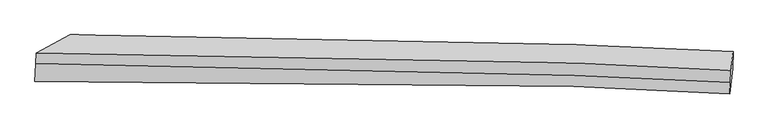
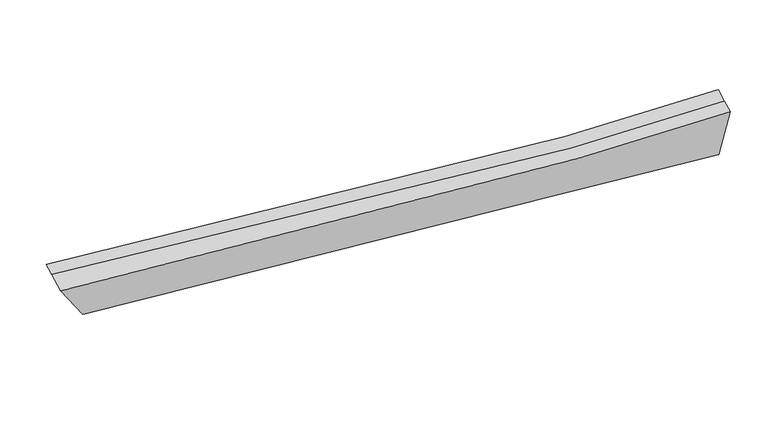
"""IFC4 building model written with IfcOpenShell, lengths in millimetres: proxy geometry."""

from ifc_helpers import new_model, si_unit, frame, origin, place, context, project, spatial, source, transform, mapped, element, save
from ifc_brep_helpers import plane_surface, spline_curve, spline_surface, advanced_brep


def generic_models_c9b60fcc(model_context):
    return source(origin(), model_context, "Body", "AdvancedBrep", [
        advanced_brep(
        [(-5488.6137369, -2005.2500482, 3786.4457836), (-5500.3548351, -2265.0979408, 3682.8059297), (4398.3501511, -2442.1805387, 3163.4923994), (4405.6883375, -2279.7756058, 3228.2673081), (-5026.2215694, -2010.5817388, 2990.9645071), (4439.2238863, -2076.6880382, 2242.4918872), (-4995.0506932, -1595.4208901, 3135.2656372), (4443.5440485, -1836.1872723, 2625.121328), (-5481.9045379, -1856.7655381, 3845.6685573), (4413.6555113, -2103.4502501, 3298.5943519)],
        [
            (0, 1),
            (1, 2, spline_curve(3, [(-5500.3548351, -2265.0979408, 3682.8059297), (-2876.042470426, -2216.185221967, 3331.72652944), (-318.410562917, -2239.803210362, 3148.266152992), (2920.489202521, -2364.82209993, 3127.668179403), (3662.425622955, -2400.231644486, 3138.024045543), (4398.3501511, -2442.1805387, 3163.4923994)], [4, 2, 4], [0.0, 25.046825384043842, 32.56753831649566])),
            (2, 3),
            (3, 0, spline_curve(3, [(4405.6883375, -2279.7756058, 3228.2673081), (3669.662044332, -2240.07892545, 3201.900662993), (2927.725623647, -2204.669380993, 3191.544796852), (-310.733459573, -2069.897551518, 3216.032712124), (-2866.89773032, -2013.798577293, 3412.448070572), (-5488.6137369, -2005.2500482, 3786.4457836)], [4, 2, 4], [0.0, 7.520712932451815, 32.56753831649566])),
            (1, 4),
            (4, 5, spline_curve(3, [(-5026.2215694, -2010.5817388, 2990.9645071), (-2741.92631188, -2011.15258917, 2802.470972553), (-348.233973202, -2024.317795395, 2611.375474709), (2906.448381223, -2057.812079948, 2359.517231432), (3667.904527579, -2066.682307188, 2301.121855378), (4439.2238863, -2076.6880382, 2242.4918872)], [4, 2, 4], [0.0, 24.49311295834564, 31.8475648123192])),
            (5, 2),
            (4, 6),
            (6, 7, spline_curve(3, [(-4995.0506932, -1595.4208901, 3135.2656372), (-2708.411625166, -1594.710371134, 2823.807885666), (-319.471869447, -1642.015295715, 2651.304989761), (2919.803662795, -1765.957139684, 2607.68360773), (3677.062153865, -1798.907676116, 2610.138401105), (4443.5440485, -1836.1872723, 2625.121328)], [4, 2, 4], [0.0, 23.91173812747143, 31.091622820053626])),
            (7, 5),
            (6, 8),
            (8, 9, spline_curve(3, [(-5481.9045379, -1856.7655381, 3845.6685573), (-2859.446715068, -1848.896567762, 3478.2189333), (-302.863118952, -1895.715260291, 3285.504998316), (2935.72187317, -2027.700535651, 3262.128495268), (3677.658293864, -2063.110080023, 3272.484361435), (4413.6555113, -2103.4502501, 3298.5943519)], [4, 2, 4], [0.0, 24.46435484926418, 31.810171617570568])),
            (9, 7),
            (8, 0),
            (3, 9),
        ],
        [
            spline_surface(3, 3, [[(-5488.6137369, -2005.2500482, 3786.4457836), (-2866.897730386, -2013.798576984, 3412.448070385), (-310.733459526, -2069.897551674, 3216.032712339), (2927.725623633, -2204.669380946, 3191.544796788), (3669.662044277, -2240.078925441, 3201.900663001), (4405.6883375, -2279.7756058, 3228.2673081)], [(-5492.527436312, -2091.866012402, 3751.899165626), (-2869.945977137, -2081.260792077, 3385.540890006), (-313.292493852, -2126.532771242, 3193.443859206), (2925.313483222, -2258.053620639, 3170.252590998), (3667.249903866, -2293.463165134, 3180.60845721), (4403.242275368, -2333.910583426, 3206.675671866)], [(-5496.441135688, -2178.481976598, 3717.352547674), (-2872.994223854, -2148.723007166, 3358.633709648), (-315.85152818, -2183.167990733, 3170.855006074), (2922.901342808, -2311.437860254, 3148.960385208), (3664.837763452, -2346.847404849, 3159.316251421), (4400.796213232, -2388.045561074, 3185.084035634)], [(-5500.3548351, -2265.0979408, 3682.8059297), (-2876.042470606, -2216.18522226, 3331.726529269), (-318.410562505, -2239.803210302, 3148.266152941), (2920.489202398, -2364.822099948, 3127.668179418), (3662.425623042, -2400.231644542, 3138.024045631), (4398.3501511, -2442.1805387, 3163.4923994)]], [4, 4], [4, 2, 4], [0.0, 0.6344094963938228], [0.0, 25.046825384043842, 32.56753831649566]),
            spline_surface(3, 3, [[(-5500.3548351, -2265.0979408, 3682.8059297), (-2876.042470606, -2216.18522226, 3331.726529269), (-318.410562505, -2239.803210302, 3148.266152941), (2920.489202398, -2364.822099948, 3127.668179418), (3662.425623042, -2400.231644542, 3138.024045631), (4398.3501511, -2442.1805387, 3163.4923994)], [(-5342.310413198, -2180.259206801, 3452.192122177), (-2831.33708449, -2147.841011244, 3155.308010307), (-328.351699457, -2167.974738565, 2969.302593631), (2915.808928688, -2262.485426609, 2871.617863391), (3664.251924573, -2289.048532095, 2859.056648878), (4411.974729521, -2320.349705211, 2856.492228655)], [(-5184.265991302, -2095.420472799, 3221.578314623), (-2786.631698382, -2079.496800226, 2978.889491314), (-338.292836408, -2096.14626691, 2790.339034326), (2911.12865498, -2160.148753353, 2615.567547368), (3666.07822604, -2177.865419613, 2580.089252159), (4425.599307879, -2198.518871689, 2549.492057945)], [(-5026.2215694, -2010.5817388, 2990.9645071), (-2741.926312266, -2011.15258921, 2802.470972353), (-348.23397336, -2024.317795174, 2611.375475016), (2906.448381271, -2057.812080014, 2359.51723134), (3667.904527571, -2066.682307165, 2301.121855406), (4439.2238863, -2076.6880382, 2242.4918872)]], [4, 4], [4, 2, 4], [0.0, 2.087170204404688], [0.0, 24.49311295834564, 31.8475648123192]),
            spline_surface(3, 3, [[(-5026.2215694, -2010.5817388, 2990.9645071), (-2741.926312266, -2011.15258921, 2802.470972353), (-348.23397336, -2024.317795174, 2611.375475016), (2906.448381271, -2057.812080014, 2359.51723134), (3667.904527571, -2066.682307165, 2301.121855406), (4439.2238863, -2076.6880382, 2242.4918872)], [(-5015.831277342, -1872.194789218, 3039.064883792), (-2730.75474991, -1872.338516478, 2809.583276907), (-338.646605285, -1896.883628607, 2624.685313224), (2910.900141767, -1960.527099947, 2442.239356838), (3670.957069678, -1977.424096801, 2404.127370671), (4440.663940349, -1996.521116226, 2370.035034153)], [(-5005.440985258, -1733.807839682, 3087.165260508), (-2719.583187527, -1733.524443794, 2816.695581487), (-329.059237254, -1769.449461999, 2637.995151379), (2915.351902218, -1863.242119837, 2524.961482284), (3674.009611838, -1888.165886461, 2507.132885879), (4442.103994451, -1916.354194274, 2497.578181047)], [(-4995.0506932, -1595.4208901, 3135.2656372), (-2708.411625171, -1594.710371062, 2823.807886042), (-319.471869179, -1642.015295433, 2651.304989587), (2919.803662715, -1765.957139769, 2607.683607782), (3677.062153946, -1798.907676097, 2610.138401144), (4443.5440485, -1836.1872723, 2625.121328)]], [4, 4], [4, 2, 4], [0.0, 1.2566306387750672], [0.0, 23.91173812747143, 31.091622820053626]),
            spline_surface(3, 3, [[(-4995.0506932, -1595.4208901, 3135.2656372), (-2708.411625171, -1594.710371062, 2823.807886042), (-319.471869179, -1642.015295433, 2651.304989587), (2919.803662715, -1765.957139769, 2607.683607782), (3677.062153946, -1798.907676097, 2610.138401144), (4443.5440485, -1836.1872723, 2625.121328)], [(-5157.335308084, -1682.535772793, 3372.066610562), (-2758.756655038, -1679.439103284, 3041.94490184), (-313.935619146, -1726.581950442, 2862.704992619), (2925.10973286, -1853.204938364, 2825.831903568), (3677.260867239, -1886.975144097, 2830.920387888), (4433.581202762, -1925.274931572, 2849.612335937)], [(-5319.619923016, -1769.650655407, 3608.867583938), (-2809.101684953, -1764.167835426, 3260.081917653), (-308.399369068, -1811.148605487, 3074.104995664), (2930.415803049, -1940.452736994, 3043.980199368), (3677.459580545, -1975.042612083, 3051.702374722), (4423.618357038, -2014.362590828, 3074.103343963)], [(-5481.9045379, -1856.7655381, 3845.6685573), (-2859.44671482, -1848.896567648, 3478.218933452), (-302.863119035, -1895.715260496, 3285.504998697), (2935.721873195, -2027.700535589, 3262.128495154), (3677.658293839, -2063.110080084, 3272.484361466), (4413.6555113, -2103.4502501, 3298.5943519)]], [4, 4], [4, 2, 4], [0.0, 2.286114455442141], [0.0, 24.46435484926418, 31.810171617570568]),
            spline_surface(3, 3, [[(-5481.9045379, -1856.7655381, 3845.6685573), (-2859.44671482, -1848.896567648, 3478.218933452), (-302.863119035, -1895.715260496, 3285.504998697), (2935.721873195, -2027.700535589, 3262.128495154), (3677.658293839, -2063.110080084, 3272.484361466), (4413.6555113, -2103.4502501, 3298.5943519)], [(-5484.140937564, -1906.260374787, 3825.927632743), (-2861.930386672, -1903.86390408, 3456.29531244), (-305.486565866, -1953.776024221, 3262.3475699), (2933.056456673, -2086.690150707, 3238.600595687), (3674.992877317, -2122.099695202, 3248.956462), (4410.999786699, -2162.225368665, 3275.152003989)], [(-5486.377337236, -1955.755211513, 3806.186708157), (-2864.414058533, -1958.831240552, 3434.371691398), (-308.110012695, -2011.836787949, 3239.190141136), (2930.391040155, -2145.679765828, 3215.072696254), (3672.327460799, -2181.089310323, 3225.428562467), (4408.344062101, -2221.000487235, 3251.709656011)], [(-5488.6137369, -2005.2500482, 3786.4457836), (-2866.897730386, -2013.798576984, 3412.448070385), (-310.733459526, -2069.897551674, 3216.032712339), (2927.725623633, -2204.669380946, 3191.544796788), (3669.662044277, -2240.078925441, 3201.900663001), (4405.6883375, -2279.7756058, 3228.2673081)]], [4, 4], [4, 2, 4], [0.0, 0.6061417186906277], [0.0, 25.04713616568328, 32.56794241533035]),
            plane_surface(frame((4423.6933993, -2114.6265248, 2832.4249916), z_axis=(0.9982699889340442, -0.05419801317809019, 0.022794836283046988), x_axis=(-0.04121522978237646, -0.36854614077065245, 0.9286953466864386))),
            plane_surface(frame((-5250.8829089, -1931.9665269, 3413.6761578), z_axis=(-0.8400096144247639, 0.23332687227141174, -0.48983917600575816), x_axis=(0.04193249369655219, 0.9280281878750173, 0.3701423354357081))),
        ],
        [
            (0, [[1, 2, 3, 4]]),
            (1, [[5, 6, 7, -2]]),
            (2, [[8, 9, 10, -6]]),
            (3, [[11, 12, 13, -9]]),
            (4, [[14, -4, 15, -12]]),
            (5, [[-13, -15, -3, -7, -10]]),
            (6, [[-14, -11, -8, -5, -1]]),
        ],
    ),
    ])


if __name__ == "__main__":
    model = new_model("IFC4")
    model_context = context("Model", 3, world=origin())
    ifc_project = project(units=[si_unit("LENGTHUNIT", "METRE", prefix="MILLI")], contexts=[model_context])
    site = spatial("IfcSite", under=ifc_project)
    building = spatial("IfcBuilding", under=site)
    placement = place(None, origin())
    generic_models_shape = generic_models_c9b60fcc(model_context)
    element("IfcBuildingElementProxy", 1, Name="Generic Models", at=placement, inside=building, context=model_context, shape_type="MappedRepresentation", body=[
        mapped(generic_models_shape, transform((0.0, 0.0, 0.0), x_axis=(1.0, 0.0, 0.0), y_axis=(0.0, 1.0, 0.0), z_axis=(0.0, 0.0, 1.0))),
    ])
    save(model, "model.ifc")
